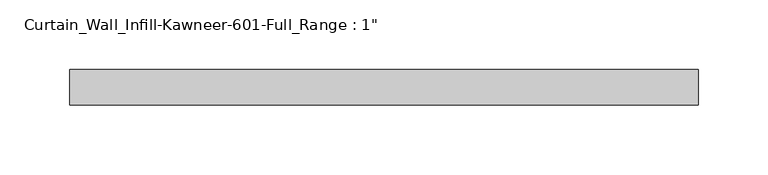
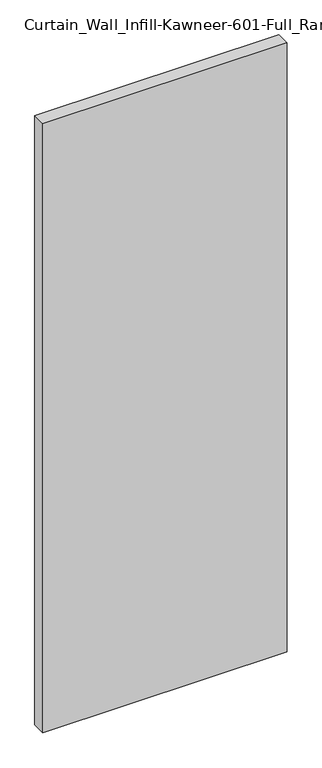
"""IFC4 building model written with IfcOpenShell, lengths in millimetres: plate geometry."""

from ifc_helpers import new_model, si_unit, origin, origin_with_axes, place, context, project, spatial, polyline, outline, extrude, source, transform, mapped, element, save


def plate_3e2c11e5(model_context):
    return source(origin(), model_context, "Body", "SweptSolid", [
        extrude(outline(polyline([(-225.425, 12.7), (225.425, 12.7), (225.425, -12.7), (-225.425, -12.7), (-225.425, 12.7)])), origin_with_axes(), (0.0, 0.0, 1.0), 1187.45),
    ])


if __name__ == "__main__":
    model = new_model("IFC4")
    model_context = context("Model", 3, world=origin())
    ifc_project = project(units=[si_unit("LENGTHUNIT", "METRE", prefix="MILLI")], contexts=[model_context])
    site = spatial("IfcSite", under=ifc_project)
    building = spatial("IfcBuilding", under=site)
    placement = place(None, origin())
    plate_shape = plate_3e2c11e5(model_context)
    element("IfcPlate", 1, ObjectType="Curtain_Wall_Infill-Kawneer-601-Full_Range : 1\"", at=placement, inside=building, context=model_context, shape_type="MappedRepresentation", body=[
        mapped(plate_shape, transform((0.0, 0.0, 0.0), x_axis=(1.0, 0.0, 0.0), y_axis=(0.0, 1.0, 0.0), z_axis=(0.0, 0.0, 1.0))),
    ])
    save(model, "model.ifc")
